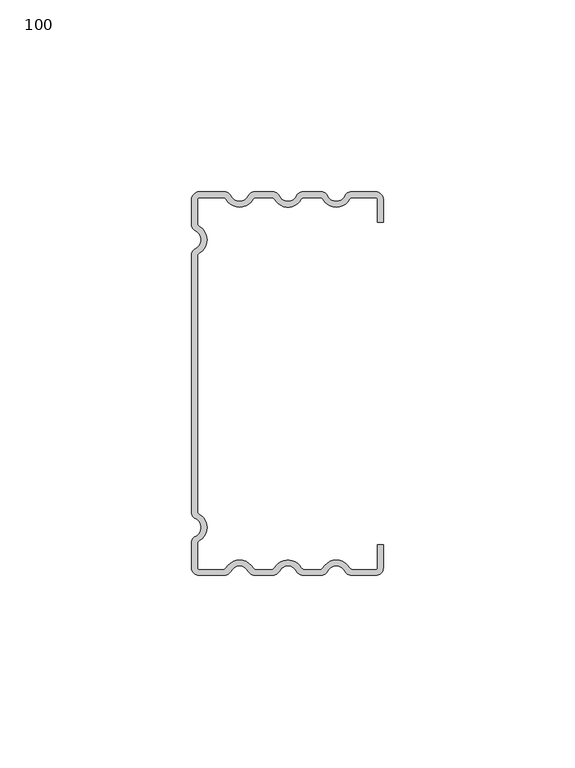
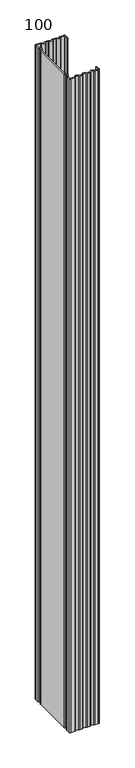
"""IFC4 building model written with IfcOpenShell, lengths in millimetres: proxy geometry, 100."""

from ifc_helpers import new_model, si_unit, point, frame_2d, origin, origin_with_axes, place, context, project, spatial, polyline, circle_curve, trimmed, segment, composite_curve, outline, extrude, source, transform, mapped, element, save


def proxy_100_71188497(model_context):
    return source(origin(), model_context, "Body", "SweptSolid", [
        extrude(outline(composite_curve([segment(polyline([(50.0, 42.0), (48.5, 42.0), (48.5, 48.0)]), True, "CONTINUOUS"), segment(trimmed(circle_curve(frame_2d((48.0, 48.0)), 0.5), [point((48.5, 48.0))], [point((48.0, 48.5))], True, "CARTESIAN"), True, "CONTINUOUS"), segment(polyline([(48.0, 48.5), (42.0640787, 48.5)]), True, "CONTINUOUS"), segment(trimmed(circle_curve(frame_2d((42.0640787, 47.5)), 1.0), [point((42.0640787, 48.5))], [point((41.1980533, 48.0))], True, "CARTESIAN"), True, "CONTINUOUS"), segment(trimmed(circle_curve(frame_2d((37.7339517, 50.0)), 4.0), [point((41.1980533, 48.0))], [point((34.2698501, 48.0))], False, "CARTESIAN"), True, "CONTINUOUS"), segment(trimmed(circle_curve(frame_2d((33.4038247, 47.5)), 1.0), [point((34.2698501, 48.0))], [point((33.4038247, 48.5))], True, "CARTESIAN"), True, "CONTINUOUS"), segment(polyline([(33.4038247, 48.5), (29.4471029, 48.5)]), True, "CONTINUOUS"), segment(trimmed(circle_curve(frame_2d((29.4471029, 47.5)), 1.0), [point((29.4471029, 48.5))], [point((28.5810775, 48.0))], True, "CARTESIAN"), True, "CONTINUOUS"), segment(trimmed(circle_curve(frame_2d((25.1169759, 50.0)), 4.0), [point((28.5810775, 48.0))], [point((21.6528742, 48.0))], False, "CARTESIAN"), True, "CONTINUOUS"), segment(trimmed(circle_curve(frame_2d((20.7868488, 47.5)), 1.0), [point((21.6528742, 48.0))], [point((20.7868488, 48.5))], True, "CARTESIAN"), True, "CONTINUOUS"), segment(polyline([(20.7868488, 48.5), (16.830127, 48.5)]), True, "CONTINUOUS"), segment(trimmed(circle_curve(frame_2d((16.830127, 47.5)), 1.0), [point((16.830127, 48.5))], [point((15.9641016, 48.0))], True, "CARTESIAN"), True, "CONTINUOUS"), segment(trimmed(circle_curve(frame_2d((12.5, 50.0)), 4.0), [point((15.9641016, 48.0))], [point((9.0358984, 48.0))], False, "CARTESIAN"), True, "CONTINUOUS"), segment(trimmed(circle_curve(frame_2d((8.169873, 47.5)), 1.0), [point((9.0358984, 48.0))], [point((8.169873, 48.5))], True, "CARTESIAN"), True, "CONTINUOUS"), segment(polyline([(8.169873, 48.5), (2.0, 48.5)]), True, "CONTINUOUS"), segment(trimmed(circle_curve(frame_2d((2.0, 48.0)), 0.5), [point((2.0, 48.5))], [point((1.5, 48.0))], True, "CARTESIAN"), True, "CONTINUOUS"), segment(polyline([(1.5, 48.0), (1.5, 41.830127)]), True, "CONTINUOUS"), segment(trimmed(circle_curve(frame_2d((2.5, 41.830127)), 1.0), [point((1.5, 41.830127))], [point((2.0, 40.9641016))], True, "CARTESIAN"), True, "CONTINUOUS"), segment(trimmed(circle_curve(frame_2d((0.0, 37.5)), 4.0), [point((2.0, 40.9641016))], [point((2.0, 34.0358984))], False, "CARTESIAN"), True, "CONTINUOUS"), segment(trimmed(circle_curve(frame_2d((2.5, 33.169873)), 1.0), [point((2.0, 34.0358984))], [point((1.5, 33.169873))], True, "CARTESIAN"), True, "CONTINUOUS"), segment(polyline([(1.5, 33.169873), (1.5, -33.169873)]), True, "CONTINUOUS"), segment(trimmed(circle_curve(frame_2d((2.5, -33.169873)), 1.0), [point((1.5, -33.169873))], [point((2.0, -34.0358984))], True, "CARTESIAN"), True, "CONTINUOUS"), segment(trimmed(circle_curve(frame_2d((0.0, -37.5)), 4.0), [point((2.0, -34.0358984))], [point((2.0, -40.9641016))], False, "CARTESIAN"), True, "CONTINUOUS"), segment(trimmed(circle_curve(frame_2d((2.5, -41.830127)), 1.0), [point((2.0, -40.9641016))], [point((1.5, -41.830127))], True, "CARTESIAN"), True, "CONTINUOUS"), segment(polyline([(1.5, -41.830127), (1.5, -48.0)]), True, "CONTINUOUS"), segment(trimmed(circle_curve(frame_2d((2.0, -48.0)), 0.5), [point((1.5, -48.0))], [point((2.0, -48.5))], True, "CARTESIAN"), True, "CONTINUOUS"), segment(polyline([(2.0, -48.5), (8.169873, -48.5)]), True, "CONTINUOUS"), segment(trimmed(circle_curve(frame_2d((8.169873, -47.5)), 1.0), [point((8.169873, -48.5))], [point((9.0358984, -48.0))], True, "CARTESIAN"), True, "CONTINUOUS"), segment(trimmed(circle_curve(frame_2d((12.5, -50.0)), 4.0), [point((9.0358984, -48.0))], [point((15.9641016, -48.0))], False, "CARTESIAN"), True, "CONTINUOUS"), segment(trimmed(circle_curve(frame_2d((16.830127, -47.5)), 1.0), [point((15.9641016, -48.0))], [point((16.830127, -48.5))], True, "CARTESIAN"), True, "CONTINUOUS"), segment(polyline([(16.830127, -48.5), (20.7868488, -48.5)]), True, "CONTINUOUS"), segment(trimmed(circle_curve(frame_2d((20.7868488, -47.5)), 1.0), [point((20.7868488, -48.5))], [point((21.6528742, -48.0))], True, "CARTESIAN"), True, "CONTINUOUS"), segment(trimmed(circle_curve(frame_2d((25.1169759, -50.0)), 4.0), [point((21.6528742, -48.0))], [point((28.5810775, -48.0))], False, "CARTESIAN"), True, "CONTINUOUS"), segment(trimmed(circle_curve(frame_2d((29.4471029, -47.5)), 1.0), [point((28.5810775, -48.0))], [point((29.4471029, -48.5))], True, "CARTESIAN"), True, "CONTINUOUS"), segment(polyline([(29.4471029, -48.5), (33.4038247, -48.5)]), True, "CONTINUOUS"), segment(trimmed(circle_curve(frame_2d((33.4038247, -47.5)), 1.0), [point((33.4038247, -48.5))], [point((34.2698501, -48.0))], True, "CARTESIAN"), True, "CONTINUOUS"), segment(trimmed(circle_curve(frame_2d((37.7339517, -50.0)), 4.0), [point((34.2698501, -48.0))], [point((41.1980533, -48.0))], False, "CARTESIAN"), True, "CONTINUOUS"), segment(trimmed(circle_curve(frame_2d((42.0640787, -47.5)), 1.0), [point((41.1980533, -48.0))], [point((42.0640787, -48.5))], True, "CARTESIAN"), True, "CONTINUOUS"), segment(polyline([(42.0640787, -48.5), (48.0, -48.5)]), True, "CONTINUOUS"), segment(trimmed(circle_curve(frame_2d((48.0, -48.0)), 0.5), [point((48.0, -48.5))], [point((48.5, -48.0))], True, "CARTESIAN"), True, "CONTINUOUS"), segment(polyline([(48.5, -48.0), (48.5, -42.0), (50.0, -42.0), (50.0, -48.0)]), True, "CONTINUOUS"), segment(trimmed(circle_curve(frame_2d((48.0, -48.0)), 2.0), [point((50.0, -48.0))], [point((48.0, -50.0))], False, "CARTESIAN"), True, "CONTINUOUS"), segment(polyline([(48.0, -50.0), (41.7650806, -50.0)]), True, "CONTINUOUS"), segment(trimmed(circle_curve(frame_2d((41.7650806, -48.0)), 2.0), [point((41.7650806, -50.0))], [point((39.9734678, -48.8888889))], False, "CARTESIAN"), True, "CONTINUOUS"), segment(trimmed(circle_curve(frame_2d((37.7339517, -50.0)), 2.5), [point((39.9734678, -48.8888889))], [point((35.4944357, -48.8888889))], True, "CARTESIAN"), True, "CONTINUOUS"), segment(trimmed(circle_curve(frame_2d((33.7028228, -48.0)), 2.0), [point((35.4944357, -48.8888889))], [point((33.7028228, -50.0))], False, "CARTESIAN"), True, "CONTINUOUS"), segment(polyline([(33.7028228, -50.0), (29.1481047, -50.0)]), True, "CONTINUOUS"), segment(trimmed(circle_curve(frame_2d((29.1481047, -48.0)), 2.0), [point((29.1481047, -50.0))], [point((27.3564919, -48.8888889))], False, "CARTESIAN"), True, "CONTINUOUS"), segment(trimmed(circle_curve(frame_2d((25.1169759, -50.0)), 2.5), [point((27.3564919, -48.8888889))], [point((22.8774598, -48.8888889))], True, "CARTESIAN"), True, "CONTINUOUS"), segment(trimmed(circle_curve(frame_2d((21.085847, -48.0)), 2.0), [point((22.8774598, -48.8888889))], [point((21.085847, -50.0))], False, "CARTESIAN"), True, "CONTINUOUS"), segment(polyline([(21.085847, -50.0), (16.5311289, -50.0)]), True, "CONTINUOUS"), segment(trimmed(circle_curve(frame_2d((16.5311289, -48.0)), 2.0), [point((16.5311289, -50.0))], [point((14.739516, -48.8888889))], False, "CARTESIAN"), True, "CONTINUOUS"), segment(trimmed(circle_curve(frame_2d((12.5, -50.0)), 2.5), [point((14.739516, -48.8888889))], [point((10.260484, -48.8888889))], True, "CARTESIAN"), True, "CONTINUOUS"), segment(trimmed(circle_curve(frame_2d((8.4688711, -48.0)), 2.0), [point((10.260484, -48.8888889))], [point((8.4688711, -50.0))], False, "CARTESIAN"), True, "CONTINUOUS"), segment(polyline([(8.4688711, -50.0), (2.0, -50.0)]), True, "CONTINUOUS"), segment(trimmed(circle_curve(frame_2d((2.0, -48.0)), 2.0), [point((2.0, -50.0))], [point((0.0, -48.0))], False, "CARTESIAN"), True, "CONTINUOUS"), segment(polyline([(0.0, -48.0), (0.0, -41.5311289)]), True, "CONTINUOUS"), segment(trimmed(circle_curve(frame_2d((2.0, -41.5311289)), 2.0), [point((0.0, -41.5311289))], [point((1.1111111, -39.739516))], False, "CARTESIAN"), True, "CONTINUOUS"), segment(trimmed(circle_curve(frame_2d((0.0, -37.5)), 2.5), [point((1.1111111, -39.739516))], [point((1.1111111, -35.260484))], True, "CARTESIAN"), True, "CONTINUOUS"), segment(trimmed(circle_curve(frame_2d((2.0, -33.4688711)), 2.0), [point((1.1111111, -35.260484))], [point((0.0, -33.4688711))], False, "CARTESIAN"), True, "CONTINUOUS"), segment(polyline([(0.0, -33.4688711), (0.0, 33.4688711)]), True, "CONTINUOUS"), segment(trimmed(circle_curve(frame_2d((2.0, 33.4688711)), 2.0), [point((0.0, 33.4688711))], [point((1.1111111, 35.260484))], False, "CARTESIAN"), True, "CONTINUOUS"), segment(trimmed(circle_curve(frame_2d((0.0, 37.5)), 2.5), [point((1.1111111, 35.260484))], [point((1.1111111, 39.739516))], True, "CARTESIAN"), True, "CONTINUOUS"), segment(trimmed(circle_curve(frame_2d((2.0, 41.5311289)), 2.0), [point((1.1111111, 39.739516))], [point((0.0, 41.5311289))], False, "CARTESIAN"), True, "CONTINUOUS"), segment(polyline([(0.0, 41.5311289), (0.0, 48.0)]), True, "CONTINUOUS"), segment(trimmed(circle_curve(frame_2d((2.0, 48.0)), 2.0), [point((0.0, 48.0))], [point((2.0, 50.0))], False, "CARTESIAN"), True, "CONTINUOUS"), segment(polyline([(2.0, 50.0), (8.4688711, 50.0)]), True, "CONTINUOUS"), segment(trimmed(circle_curve(frame_2d((8.4688711, 48.0)), 2.0), [point((8.4688711, 50.0))], [point((10.260484, 48.8888889))], False, "CARTESIAN"), True, "CONTINUOUS"), segment(trimmed(circle_curve(frame_2d((12.5, 50.0)), 2.5), [point((10.260484, 48.8888889))], [point((14.739516, 48.8888889))], True, "CARTESIAN"), True, "CONTINUOUS"), segment(trimmed(circle_curve(frame_2d((16.5311289, 48.0)), 2.0), [point((14.739516, 48.8888889))], [point((16.5311289, 50.0))], False, "CARTESIAN"), True, "CONTINUOUS"), segment(polyline([(16.5311289, 50.0), (21.085847, 50.0)]), True, "CONTINUOUS"), segment(trimmed(circle_curve(frame_2d((21.085847, 48.0)), 2.0), [point((21.085847, 50.0))], [point((22.8774598, 48.8888889))], False, "CARTESIAN"), True, "CONTINUOUS"), segment(trimmed(circle_curve(frame_2d((25.1169759, 50.0)), 2.5), [point((22.8774598, 48.8888889))], [point((27.3564919, 48.8888889))], True, "CARTESIAN"), True, "CONTINUOUS"), segment(trimmed(circle_curve(frame_2d((29.1481047, 48.0)), 2.0), [point((27.3564919, 48.8888889))], [point((29.1481047, 50.0))], False, "CARTESIAN"), True, "CONTINUOUS"), segment(polyline([(29.1481047, 50.0), (33.7028228, 50.0)]), True, "CONTINUOUS"), segment(trimmed(circle_curve(frame_2d((33.7028228, 48.0)), 2.0), [point((33.7028228, 50.0))], [point((35.4944357, 48.8888889))], False, "CARTESIAN"), True, "CONTINUOUS"), segment(trimmed(circle_curve(frame_2d((37.7339517, 50.0)), 2.5), [point((35.4944357, 48.8888889))], [point((39.9734678, 48.8888889))], True, "CARTESIAN"), True, "CONTINUOUS"), segment(trimmed(circle_curve(frame_2d((41.7650806, 48.0)), 2.0), [point((39.9734678, 48.8888889))], [point((41.7650806, 50.0))], False, "CARTESIAN"), True, "CONTINUOUS"), segment(polyline([(41.7650806, 50.0), (48.0, 50.0)]), True, "CONTINUOUS"), segment(trimmed(circle_curve(frame_2d((48.0, 48.0)), 2.0), [point((48.0, 50.0))], [point((50.0, 48.0))], False, "CARTESIAN"), True, "CONTINUOUS"), segment(polyline([(50.0, 48.0), (50.0, 42.0)]), True, "CONTINUOUS")], self_intersect=False)), origin_with_axes(), (0.0, 0.0, 1.0), 1150.0),
    ])


if __name__ == "__main__":
    model = new_model("IFC4")
    model_context = context("Model", 3, world=origin())
    ifc_project = project(units=[si_unit("LENGTHUNIT", "METRE", prefix="MILLI")], contexts=[model_context])
    site = spatial("IfcSite", under=ifc_project)
    building = spatial("IfcBuilding", under=site)
    placement = place(None, origin())
    proxy_100_shape = proxy_100_71188497(model_context)
    element("IfcBuildingElementProxy", 1, Name="100", ObjectType="100", at=placement, inside=building, context=model_context, shape_type="MappedRepresentation", body=[
        mapped(proxy_100_shape, transform((0.0, 0.0, 0.0), x_axis=(1.0, 0.0, 0.0), y_axis=(0.0, 1.0, 0.0), z_axis=(0.0, 0.0, 1.0))),
    ])
    save(model, "model.ifc")
